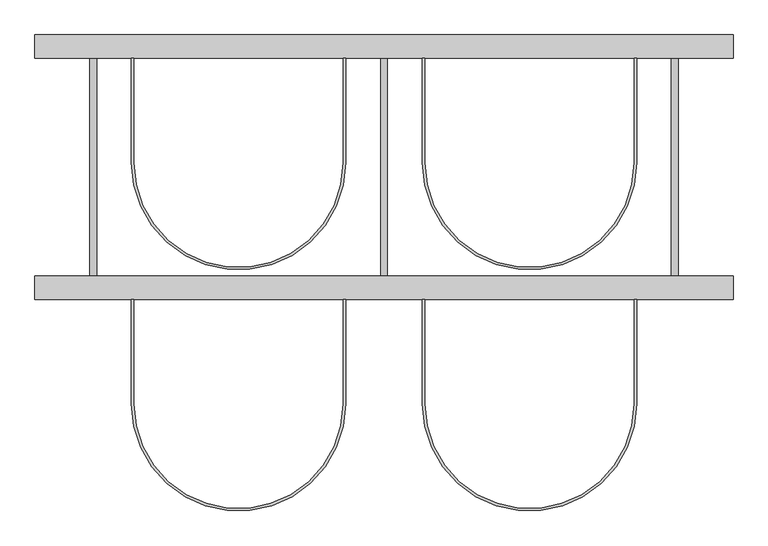
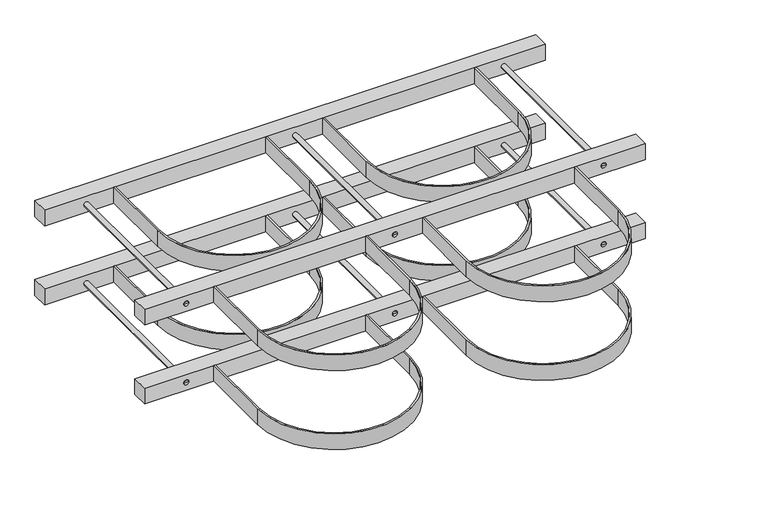
"""IFC4 building model written with IfcOpenShell, lengths in millimetres: proxy geometry."""

from ifc_helpers import new_model, si_unit, point, frame, frame_2d, origin, origin_2d, place, context, project, spatial, polyline, circle_curve, trimmed, segment, composite_curve, outline, extrude, source, transform, mapped, element, save
from ifc_brep_helpers import plane_surface, cylinder_surface, advanced_brep


def specialty_equipment_eb93da6e(model_context):
    return source(origin(), model_context, "Body", "SolidModel", [
        extrude(outline(composite_curve([segment(polyline([(320.0, -235.0), (320.0, -415.0)]), True, "CONTINUOUS"), segment(trimmed(circle_curve(frame_2d((500.0, -415.0)), 180.0), [point((320.0, -415.0))], [point((680.0, -415.0))], True, "CARTESIAN"), True, "CONTINUOUS"), segment(polyline([(680.0, -415.0), (680.0, -235.0), (684.0, -235.0), (684.0, -415.0)]), True, "CONTINUOUS"), segment(trimmed(circle_curve(frame_2d((500.0, -415.0)), 184.0), [point((684.0, -415.0))], [point((316.0, -415.0))], False, "CARTESIAN"), True, "CONTINUOUS"), segment(polyline([(316.0, -415.0), (316.0, -235.0), (320.0, -235.0)]), True, "CONTINUOUS")], self_intersect=False)), frame((0.0, 0.0, 180.0), z_axis=(0.0, 0.0, 1.0), x_axis=(1.0, 0.0, 0.0)), (0.0, 0.0, 1.0), 40.0),
        advanced_brep(
        [(756.0, -235.0, 200.0), (744.0, -235.0, 200.0), (744.0, 180.0, 200.0), (756.0, 180.0, 200.0), (750.0, -235.0, 200.0), (750.0, 180.0, 200.0)],
        [
            (0, 1, circle_curve(frame((750.0, -235.0, 200.0), z_axis=(0.0, 1.0, 0.0), x_axis=(-1.0, 0.0, 0.0)), 6.0)),
            (1, 2),
            (2, 3, circle_curve(frame((750.0, 180.0, 200.0), z_axis=(0.0, -1.0, 0.0), x_axis=(-1.0, 0.0, 0.0)), 6.0)),
            (3, 0),
            (1, 0, circle_curve(frame((750.0, -235.0, 200.0), z_axis=(0.0, 1.0, 0.0), x_axis=(-1.0, 0.0, 0.0)), 6.0)),
            (3, 2, circle_curve(frame((750.0, 180.0, 200.0), z_axis=(0.0, -1.0, 0.0), x_axis=(-1.0, 0.0, 0.0)), 6.0)),
            (4, 1),
            (0, 4),
            (2, 5),
            (5, 3),
        ],
        [
            cylinder_surface(frame((750.0, 1704.0, 200.0), z_axis=(0.0, -1.0, 0.0), x_axis=(-1.0, 0.0, 0.0)), 6.0),
            plane_surface(frame((750.0, -235.0, 200.0), z_axis=(0.0, -1.0, 0.0), x_axis=(-1.0, 0.0, 0.0))),
            plane_surface(frame((750.0, 180.0, 200.0), z_axis=(0.0, 1.0, 0.0), x_axis=(-1.0, 0.0, 0.0))),
        ],
        [
            (0, [[1, 2, 3, 4]]),
            (0, [[5, -4, 6, -2]]),
            (1, [[7, -1, 8]]),
            (1, [[-8, -5, -7]]),
            (2, [[-3, 9, 10]]),
            (2, [[-6, -10, -9]]),
        ],
    ),
        advanced_brep(
        [(256.0, -235.0, 200.0), (244.0, -235.0, 200.0), (244.0, 180.0, 200.0), (256.0, 180.0, 200.0), (250.0, -235.0, 200.0), (250.0, 180.0, 200.0)],
        [
            (0, 1, circle_curve(frame((250.0, -235.0, 200.0), z_axis=(0.0, 1.0, 0.0), x_axis=(-1.0, 0.0, 0.0)), 6.0)),
            (1, 2),
            (2, 3, circle_curve(frame((250.0, 180.0, 200.0), z_axis=(0.0, -1.0, 0.0), x_axis=(-1.0, 0.0, 0.0)), 6.0)),
            (3, 0),
            (1, 0, circle_curve(frame((250.0, -235.0, 200.0), z_axis=(0.0, 1.0, 0.0), x_axis=(-1.0, 0.0, 0.0)), 6.0)),
            (3, 2, circle_curve(frame((250.0, 180.0, 200.0), z_axis=(0.0, -1.0, 0.0), x_axis=(-1.0, 0.0, 0.0)), 6.0)),
            (4, 1),
            (0, 4),
            (2, 5),
            (5, 3),
        ],
        [
            cylinder_surface(frame((250.0, 1704.0, 200.0), z_axis=(0.0, -1.0, 0.0), x_axis=(-1.0, 0.0, 0.0)), 6.0),
            plane_surface(frame((250.0, -235.0, 200.0), z_axis=(0.0, -1.0, 0.0), x_axis=(-1.0, 0.0, 0.0))),
            plane_surface(frame((250.0, 180.0, 200.0), z_axis=(0.0, 1.0, 0.0), x_axis=(-1.0, 0.0, 0.0))),
        ],
        [
            (0, [[1, 2, 3, 4]]),
            (0, [[5, -4, 6, -2]]),
            (1, [[7, -1, 8]]),
            (1, [[-8, -5, -7]]),
            (2, [[-3, 9, 10]]),
            (2, [[-6, -10, -9]]),
        ],
    ),
        extrude(outline(composite_curve([segment(polyline([(-180.0, -235.0), (-180.0, -415.0)]), True, "CONTINUOUS"), segment(trimmed(circle_curve(frame_2d((0.0, -415.0)), 180.0), [point((-180.0, -415.0))], [point((180.0, -415.0))], True, "CARTESIAN"), True, "CONTINUOUS"), segment(polyline([(180.0, -415.0), (180.0, -235.0), (184.0, -235.0), (184.0, -415.0)]), True, "CONTINUOUS"), segment(trimmed(circle_curve(frame_2d((0.0, -415.0)), 184.0), [point((184.0, -415.0))], [point((-184.0, -415.0))], False, "CARTESIAN"), True, "CONTINUOUS"), segment(polyline([(-184.0, -415.0), (-184.0, -235.0), (-180.0, -235.0)]), True, "CONTINUOUS")], self_intersect=False)), frame((0.0, 0.0, 180.0), z_axis=(0.0, 0.0, 1.0), x_axis=(1.0, 0.0, 0.0)), (0.0, 0.0, 1.0), 40.0),
        advanced_brep(
        [(-244.0, -235.0, 200.0), (-256.0, -235.0, 200.0), (-256.0, 180.0, 200.0), (-244.0, 180.0, 200.0), (-250.0, -235.0, 200.0), (-250.0, 180.0, 200.0)],
        [
            (0, 1, circle_curve(frame((-250.0, -235.0, 200.0), z_axis=(0.0, 1.0, 0.0), x_axis=(-1.0, 0.0, 0.0)), 6.0)),
            (1, 2),
            (2, 3, circle_curve(frame((-250.0, 180.0, 200.0), z_axis=(0.0, -1.0, 0.0), x_axis=(-1.0, 0.0, 0.0)), 6.0)),
            (3, 0),
            (1, 0, circle_curve(frame((-250.0, -235.0, 200.0), z_axis=(0.0, 1.0, 0.0), x_axis=(-1.0, 0.0, 0.0)), 6.0)),
            (3, 2, circle_curve(frame((-250.0, 180.0, 200.0), z_axis=(0.0, -1.0, 0.0), x_axis=(-1.0, 0.0, 0.0)), 6.0)),
            (4, 1),
            (0, 4),
            (2, 5),
            (5, 3),
        ],
        [
            cylinder_surface(frame((-250.0, 1704.0, 200.0), z_axis=(0.0, -1.0, 0.0), x_axis=(-1.0, 0.0, 0.0)), 6.0),
            plane_surface(frame((-250.0, -235.0, 200.0), z_axis=(0.0, -1.0, 0.0), x_axis=(-1.0, 0.0, 0.0))),
            plane_surface(frame((-250.0, 180.0, 200.0), z_axis=(0.0, 1.0, 0.0), x_axis=(-1.0, 0.0, 0.0))),
        ],
        [
            (0, [[1, 2, 3, 4]]),
            (0, [[5, -4, 6, -2]]),
            (1, [[7, -1, 8]]),
            (1, [[-8, -5, -7]]),
            (2, [[-3, 9, 10]]),
            (2, [[-6, -10, -9]]),
        ],
    ),
        extrude(outline(composite_curve([segment(polyline([(320.0, 180.0), (320.0, 0.0)]), True, "CONTINUOUS"), segment(trimmed(circle_curve(frame_2d((500.0, 0.0)), 180.0), [point((320.0, 0.0))], [point((680.0, 0.0))], True, "CARTESIAN"), True, "CONTINUOUS"), segment(polyline([(680.0, 0.0), (680.0, 180.0), (684.0, 180.0), (684.0, 0.0)]), True, "CONTINUOUS"), segment(trimmed(circle_curve(frame_2d((500.0, 0.0)), 184.0), [point((684.0, 0.0))], [point((316.0, 0.0))], False, "CARTESIAN"), True, "CONTINUOUS"), segment(polyline([(316.0, 0.0), (316.0, 180.0), (320.0, 180.0)]), True, "CONTINUOUS")], self_intersect=False)), frame((0.0, 0.0, 180.0), z_axis=(0.0, 0.0, 1.0), x_axis=(1.0, 0.0, 0.0)), (0.0, 0.0, 1.0), 40.0),
        extrude(outline(composite_curve([segment(polyline([(-180.0, 180.0), (-180.0, 0.0)]), True, "CONTINUOUS"), segment(trimmed(circle_curve(origin_2d(), 180.0), [point((-180.0, 0.0))], [point((180.0, 0.0))], True, "CARTESIAN"), True, "CONTINUOUS"), segment(polyline([(180.0, 0.0), (180.0, 180.0), (184.0, 180.0), (184.0, 0.0)]), True, "CONTINUOUS"), segment(trimmed(circle_curve(origin_2d(), 184.0), [point((184.0, 0.0))], [point((-184.0, 0.0))], False, "CARTESIAN"), True, "CONTINUOUS"), segment(polyline([(-184.0, 0.0), (-184.0, 180.0), (-180.0, 180.0)]), True, "CONTINUOUS")], self_intersect=False)), frame((0.0, 0.0, 180.0), z_axis=(0.0, 0.0, 1.0), x_axis=(1.0, 0.0, 0.0)), (0.0, 0.0, 1.0), 40.0),
        extrude(outline(polyline([(850.0, -235.0), (-350.0, -235.0), (-350.0, -195.0), (850.0, -195.0), (850.0, -235.0)])), frame((0.0, 0.0, 180.0), z_axis=(0.0, 0.0, 1.0), x_axis=(1.0, 0.0, 0.0)), (0.0, 0.0, 1.0), 40.0),
        extrude(outline(polyline([(850.0, 180.0), (-350.0, 180.0), (-350.0, 220.0), (850.0, 220.0), (850.0, 180.0)])), frame((0.0, 0.0, 180.0), z_axis=(0.0, 0.0, 1.0), x_axis=(1.0, 0.0, 0.0)), (0.0, 0.0, 1.0), 40.0),
        extrude(outline(composite_curve([segment(polyline([(320.0, -235.0), (320.0, -415.0)]), True, "CONTINUOUS"), segment(trimmed(circle_curve(frame_2d((500.0, -415.0)), 180.0), [point((320.0, -415.0))], [point((680.0, -415.0))], True, "CARTESIAN"), True, "CONTINUOUS"), segment(polyline([(680.0, -415.0), (680.0, -235.0), (684.0, -235.0), (684.0, -415.0)]), True, "CONTINUOUS"), segment(trimmed(circle_curve(frame_2d((500.0, -415.0)), 184.0), [point((684.0, -415.0))], [point((316.0, -415.0))], False, "CARTESIAN"), True, "CONTINUOUS"), segment(polyline([(316.0, -415.0), (316.0, -235.0), (320.0, -235.0)]), True, "CONTINUOUS")], self_intersect=False)), frame((0.0, 0.0, -20.0), z_axis=(0.0, 0.0, 1.0), x_axis=(1.0, 0.0, 0.0)), (0.0, 0.0, 1.0), 40.0),
        advanced_brep(
        [(756.0, -235.0, 0.0), (744.0, -235.0, 0.0), (744.0, 180.0, 0.0), (756.0, 180.0, 0.0), (750.0, -235.0, 0.0), (750.0, 180.0, 0.0)],
        [
            (0, 1, circle_curve(frame((750.0, -235.0, 0.0), z_axis=(0.0, 1.0, 0.0), x_axis=(-1.0, 0.0, 0.0)), 6.0)),
            (1, 2),
            (2, 3, circle_curve(frame((750.0, 180.0, 0.0), z_axis=(0.0, -1.0, 0.0), x_axis=(-1.0, 0.0, 0.0)), 6.0)),
            (3, 0),
            (1, 0, circle_curve(frame((750.0, -235.0, 0.0), z_axis=(0.0, 1.0, 0.0), x_axis=(-1.0, 0.0, 0.0)), 6.0)),
            (3, 2, circle_curve(frame((750.0, 180.0, 0.0), z_axis=(0.0, -1.0, 0.0), x_axis=(-1.0, 0.0, 0.0)), 6.0)),
            (4, 1),
            (0, 4),
            (2, 5),
            (5, 3),
        ],
        [
            cylinder_surface(frame((750.0, 1704.0, 0.0), z_axis=(0.0, -1.0, 0.0), x_axis=(-1.0, 0.0, 0.0)), 6.0),
            plane_surface(frame((750.0, -235.0, 0.0), z_axis=(0.0, -1.0, 0.0), x_axis=(-1.0, 0.0, 0.0))),
            plane_surface(frame((750.0, 180.0, 0.0), z_axis=(0.0, 1.0, 0.0), x_axis=(-1.0, 0.0, 0.0))),
        ],
        [
            (0, [[1, 2, 3, 4]]),
            (0, [[5, -4, 6, -2]]),
            (1, [[7, -1, 8]]),
            (1, [[-8, -5, -7]]),
            (2, [[-3, 9, 10]]),
            (2, [[-6, -10, -9]]),
        ],
    ),
        advanced_brep(
        [(256.0, -235.0, 0.0), (244.0, -235.0, 0.0), (244.0, 180.0, 0.0), (256.0, 180.0, 0.0), (250.0, -235.0, 0.0), (250.0, 180.0, 0.0)],
        [
            (0, 1, circle_curve(frame((250.0, -235.0, 0.0), z_axis=(0.0, 1.0, 0.0), x_axis=(-1.0, 0.0, 0.0)), 6.0)),
            (1, 2),
            (2, 3, circle_curve(frame((250.0, 180.0, 0.0), z_axis=(0.0, -1.0, 0.0), x_axis=(-1.0, 0.0, 0.0)), 6.0)),
            (3, 0),
            (1, 0, circle_curve(frame((250.0, -235.0, 0.0), z_axis=(0.0, 1.0, 0.0), x_axis=(-1.0, 0.0, 0.0)), 6.0)),
            (3, 2, circle_curve(frame((250.0, 180.0, 0.0), z_axis=(0.0, -1.0, 0.0), x_axis=(-1.0, 0.0, 0.0)), 6.0)),
            (4, 1),
            (0, 4),
            (2, 5),
            (5, 3),
        ],
        [
            cylinder_surface(frame((250.0, 1704.0, 0.0), z_axis=(0.0, -1.0, 0.0), x_axis=(-1.0, 0.0, 0.0)), 6.0),
            plane_surface(frame((250.0, -235.0, 0.0), z_axis=(0.0, -1.0, 0.0), x_axis=(-1.0, 0.0, 0.0))),
            plane_surface(frame((250.0, 180.0, 0.0), z_axis=(0.0, 1.0, 0.0), x_axis=(-1.0, 0.0, 0.0))),
        ],
        [
            (0, [[1, 2, 3, 4]]),
            (0, [[5, -4, 6, -2]]),
            (1, [[7, -1, 8]]),
            (1, [[-8, -5, -7]]),
            (2, [[-3, 9, 10]]),
            (2, [[-6, -10, -9]]),
        ],
    ),
        extrude(outline(composite_curve([segment(polyline([(-180.0, -235.0), (-180.0, -415.0)]), True, "CONTINUOUS"), segment(trimmed(circle_curve(frame_2d((0.0, -415.0)), 180.0), [point((-180.0, -415.0))], [point((180.0, -415.0))], True, "CARTESIAN"), True, "CONTINUOUS"), segment(polyline([(180.0, -415.0), (180.0, -235.0), (184.0, -235.0), (184.0, -415.0)]), True, "CONTINUOUS"), segment(trimmed(circle_curve(frame_2d((0.0, -415.0)), 184.0), [point((184.0, -415.0))], [point((-184.0, -415.0))], False, "CARTESIAN"), True, "CONTINUOUS"), segment(polyline([(-184.0, -415.0), (-184.0, -235.0), (-180.0, -235.0)]), True, "CONTINUOUS")], self_intersect=False)), frame((0.0, 0.0, -20.0), z_axis=(0.0, 0.0, 1.0), x_axis=(1.0, 0.0, 0.0)), (0.0, 0.0, 1.0), 40.0),
        advanced_brep(
        [(-244.0, -235.0, 0.0), (-256.0, -235.0, 0.0), (-256.0, 180.0, 0.0), (-244.0, 180.0, 0.0), (-250.0, -235.0, 0.0), (-250.0, 180.0, 0.0)],
        [
            (0, 1, circle_curve(frame((-250.0, -235.0, 0.0), z_axis=(0.0, 1.0, 0.0), x_axis=(-1.0, 0.0, 0.0)), 6.0)),
            (1, 2),
            (2, 3, circle_curve(frame((-250.0, 180.0, 0.0), z_axis=(0.0, -1.0, 0.0), x_axis=(-1.0, 0.0, 0.0)), 6.0)),
            (3, 0),
            (1, 0, circle_curve(frame((-250.0, -235.0, 0.0), z_axis=(0.0, 1.0, 0.0), x_axis=(-1.0, 0.0, 0.0)), 6.0)),
            (3, 2, circle_curve(frame((-250.0, 180.0, 0.0), z_axis=(0.0, -1.0, 0.0), x_axis=(-1.0, 0.0, 0.0)), 6.0)),
            (4, 1),
            (0, 4),
            (2, 5),
            (5, 3),
        ],
        [
            cylinder_surface(frame((-250.0, 1704.0, 0.0), z_axis=(0.0, -1.0, 0.0), x_axis=(-1.0, 0.0, 0.0)), 6.0),
            plane_surface(frame((-250.0, -235.0, 0.0), z_axis=(0.0, -1.0, 0.0), x_axis=(-1.0, 0.0, 0.0))),
            plane_surface(frame((-250.0, 180.0, 0.0), z_axis=(0.0, 1.0, 0.0), x_axis=(-1.0, 0.0, 0.0))),
        ],
        [
            (0, [[1, 2, 3, 4]]),
            (0, [[5, -4, 6, -2]]),
            (1, [[7, -1, 8]]),
            (1, [[-8, -5, -7]]),
            (2, [[-3, 9, 10]]),
            (2, [[-6, -10, -9]]),
        ],
    ),
        extrude(outline(composite_curve([segment(polyline([(320.0, 180.0), (320.0, 0.0)]), True, "CONTINUOUS"), segment(trimmed(circle_curve(frame_2d((500.0, 0.0)), 180.0), [point((320.0, 0.0))], [point((680.0, 0.0))], True, "CARTESIAN"), True, "CONTINUOUS"), segment(polyline([(680.0, 0.0), (680.0, 180.0), (684.0, 180.0), (684.0, 0.0)]), True, "CONTINUOUS"), segment(trimmed(circle_curve(frame_2d((500.0, 0.0)), 184.0), [point((684.0, 0.0))], [point((316.0, 0.0))], False, "CARTESIAN"), True, "CONTINUOUS"), segment(polyline([(316.0, 0.0), (316.0, 180.0), (320.0, 180.0)]), True, "CONTINUOUS")], self_intersect=False)), frame((0.0, 0.0, -20.0), z_axis=(0.0, 0.0, 1.0), x_axis=(1.0, 0.0, 0.0)), (0.0, 0.0, 1.0), 40.0),
        extrude(outline(composite_curve([segment(polyline([(-180.0, 180.0), (-180.0, 0.0)]), True, "CONTINUOUS"), segment(trimmed(circle_curve(origin_2d(), 180.0), [point((-180.0, 0.0))], [point((180.0, 0.0))], True, "CARTESIAN"), True, "CONTINUOUS"), segment(polyline([(180.0, 0.0), (180.0, 180.0), (184.0, 180.0), (184.0, 0.0)]), True, "CONTINUOUS"), segment(trimmed(circle_curve(origin_2d(), 184.0), [point((184.0, 0.0))], [point((-184.0, 0.0))], False, "CARTESIAN"), True, "CONTINUOUS"), segment(polyline([(-184.0, 0.0), (-184.0, 180.0), (-180.0, 180.0)]), True, "CONTINUOUS")], self_intersect=False)), frame((0.0, 0.0, -20.0), z_axis=(0.0, 0.0, 1.0), x_axis=(1.0, 0.0, 0.0)), (0.0, 0.0, 1.0), 40.0),
        extrude(outline(polyline([(850.0, -235.0), (-350.0, -235.0), (-350.0, -195.0), (850.0, -195.0), (850.0, -235.0)])), frame((0.0, 0.0, -20.0), z_axis=(0.0, 0.0, 1.0), x_axis=(1.0, 0.0, 0.0)), (0.0, 0.0, 1.0), 40.0),
        extrude(outline(polyline([(850.0, 180.0), (-350.0, 180.0), (-350.0, 220.0), (850.0, 220.0), (850.0, 180.0)])), frame((0.0, 0.0, -20.0), z_axis=(0.0, 0.0, 1.0), x_axis=(1.0, 0.0, 0.0)), (0.0, 0.0, 1.0), 40.0),
    ])


if __name__ == "__main__":
    model = new_model("IFC4")
    model_context = context("Model", 3, world=origin())
    ifc_project = project(units=[si_unit("LENGTHUNIT", "METRE", prefix="MILLI")], contexts=[model_context])
    site = spatial("IfcSite", under=ifc_project)
    building = spatial("IfcBuilding", under=site)
    placement = place(None, origin())
    specialty_equipment_shape = specialty_equipment_eb93da6e(model_context)
    element("IfcBuildingElementProxy", 1, Name="Specialty Equipment", at=placement, inside=building, context=model_context, shape_type="MappedRepresentation", body=[
        mapped(specialty_equipment_shape, transform((0.0, 0.0, 0.0), x_axis=(1.0, 0.0, 0.0), y_axis=(0.0, 1.0, 0.0), z_axis=(0.0, 0.0, 1.0))),
    ])
    save(model, "model.ifc")
